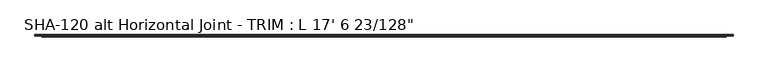
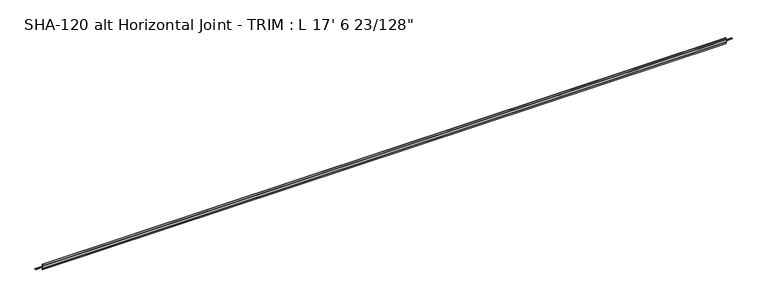
"""IFC4 building model written with IfcOpenShell, lengths in millimetres: proxy geometry."""

import ifcopenshell
import ifcopenshell.guid

model = None  # the IFC model being written
_history = None  # IfcOwnerHistory: only IFC2X3 demands one
_inside = {}  # id of a spatial element -> (the spatial element, [elements in it])
_under = {}  # id of a project, library or spatial element -> (it, [spatial elements below it])
_declared = {}  # id of a project -> (the project, [libraries it declares])
_typed = {}  # id of a type object -> (the type object, [elements of that type])
_made_of = {}  # id of a material, layer set ... -> (it, [elements and type objects made of it])


def new_model(schema):
    """Start an empty IFC model of exactly this schema.

    Asked for "IFC4X3", IfcOpenShell would pick the latest addendum, in which some entities
    have other attributes; the version numbers below select the first issue.
    IFC2X3 requires an IfcOwnerHistory on every rooted entity: one is made here for all.
    """
    global model, _history
    if schema == "IFC4X3":
        model = ifcopenshell.file(schema_version=(4, 3, 0, 0))
    else:
        model = ifcopenshell.file(schema=schema)
    _inside.clear()
    _under.clear()
    _declared.clear()
    _typed.clear()
    _made_of.clear()
    _history = None
    if model.schema == "IFC2X3":
        org = make("IfcOrganization", Name="unknown")
        user = make(
            "IfcPersonAndOrganization",
            ThePerson=make("IfcPerson", FamilyName="unknown"),
            TheOrganization=org,
        )
        app = make(
            "IfcApplication",
            ApplicationDeveloper=org,
            Version="unknown",
            ApplicationFullName="unknown",
            ApplicationIdentifier="unknown",
        )
        _history = make(
            "IfcOwnerHistory",
            OwningUser=user,
            OwningApplication=app,
            ChangeAction="ADDED",
            CreationDate=0,
        )
    return model


def make(cls, **values):
    """One entity of the class cls with the attributes given. An attribute that is None is left unset."""
    return model.create_entity(
        cls, **{name: value for name, value in values.items() if value is not None}
    )


def rooted(cls, **values):
    """An entity with a GlobalId (a new one), such as an element, a storey or a relation."""
    return make(cls, GlobalId=ifcopenshell.guid.new(), OwnerHistory=_history, **values)


def si_unit(unit_type, name, prefix=None):
    """IfcSIUnit, for example si_unit("LENGTHUNIT", "METRE", prefix="MILLI")."""
    return make("IfcSIUnit", UnitType=unit_type, Prefix=prefix, Name=name)


def assignment(units):
    """IfcUnitAssignment: the units of a project."""
    return None if units is None else make("IfcUnitAssignment", Units=units)


def point(xyz):
    """IfcCartesianPoint."""
    return None if xyz is None else make("IfcCartesianPoint", Coordinates=xyz)


def direction(xyz):
    """IfcDirection."""
    return None if xyz is None else make("IfcDirection", DirectionRatios=xyz)


def frame(location, z_axis=None, x_axis=None):
    """IfcAxis2Placement3D, a coordinate frame: its origin and axes. An axis left out is left unset."""
    return make(
        "IfcAxis2Placement3D",
        Location=point(location),
        Axis=direction(z_axis),
        RefDirection=direction(x_axis),
    )


def origin():
    """The frame at (0, 0, 0) with its axes left unset."""
    return frame((0.0, 0.0, 0.0))


def place(relative_to, where):
    """IfcLocalPlacement: puts the frame where relative to a parent placement (None: the world)."""
    return make(
        "IfcLocalPlacement", PlacementRelTo=relative_to, RelativePlacement=where
    )


def context(
    kind, dimensions, precision=None, world=None, true_north=None, identifier=None
):
    """IfcGeometricRepresentationContext, for example the 3D "Model" context."""
    return make(
        "IfcGeometricRepresentationContext",
        ContextIdentifier=identifier,
        ContextType=kind,
        CoordinateSpaceDimension=dimensions,
        Precision=precision,
        WorldCoordinateSystem=world,
        TrueNorth=true_north,
    )


def project(units=None, contexts=None):
    """IfcProject with its units and contexts."""
    return rooted(
        "IfcProject",
        Name="project",
        RepresentationContexts=contexts,
        UnitsInContext=assignment(units),
    )


def spatial(cls, under=None, at=None, **own):
    """A site, building, storey or space (cls), placed at a placement, below another one or the project."""
    s = rooted(cls, ObjectPlacement=at, **own)
    if under is not None:
        _under.setdefault(under.id(), (under, []))[1].append(s)
    return s


def polyline(points):
    """IfcPolyline through the points."""
    return make("IfcPolyline", Points=[point(p) for p in points])


def circle_curve(where, radius):
    """IfcCircle in the frame where."""
    return make("IfcCircle", Position=where, Radius=radius)


def shape(context_of_items, identifier, shape_type, items):
    """IfcShapeRepresentation: the items that make up one representation, for example the "Body"."""
    return make(
        "IfcShapeRepresentation",
        ContextOfItems=context_of_items,
        RepresentationIdentifier=identifier,
        RepresentationType=shape_type,
        Items=items,
    )


def source(mapping_origin, context_of_items, identifier, shape_type, items):
    """IfcRepresentationMap: a shape defined once, which mapped items show again and again."""
    return make(
        "IfcRepresentationMap",
        MappingOrigin=mapping_origin,
        MappedRepresentation=shape(context_of_items, identifier, shape_type, items),
    )


def transform(
    local_origin,
    x_axis=None,
    y_axis=None,
    z_axis=None,
    scale=None,
    scale2=None,
    scale3=None,
    uniform=True,
):
    """IfcCartesianTransformationOperator3D, or its non-uniform kind. x_axis, y_axis, z_axis: its Axis1, 2, 3."""
    if uniform:
        return make(
            "IfcCartesianTransformationOperator3D",
            Axis1=direction(x_axis),
            Axis2=direction(y_axis),
            LocalOrigin=point(local_origin),
            Scale=scale,
            Axis3=direction(z_axis),
        )
    return make(
        "IfcCartesianTransformationOperator3DnonUniform",
        Axis1=direction(x_axis),
        Axis2=direction(y_axis),
        LocalOrigin=point(local_origin),
        Scale=scale,
        Axis3=direction(z_axis),
        Scale2=scale2,
        Scale3=scale3,
    )


def mapped(mapping_source, mapping_target):
    """IfcMappedItem: shows the shape of a source again, moved by a transform."""
    return make(
        "IfcMappedItem", MappingSource=mapping_source, MappingTarget=mapping_target
    )


def made_of(thing, what):
    """Note that an element or type object is made of a material, layer set ...; save() writes the relation."""
    if what is not None:
        _made_of.setdefault(what.id(), (what, []))[1].append(thing)
    return thing


def element(
    cls,
    number,
    at=None,
    inside=None,
    cuts=None,
    type_object=None,
    material=None,
    context=None,
    identifier="Body",
    shape_type=None,
    held_by="IfcProductDefinitionShape",
    body=None,
    shapes=None,
    **own,
):
    """One element of the class cls, such as IfcWall. Its Tag is "e" and its number.

    at: its placement. inside: the storey or other place that contains it. cuts: it is an
    opening in that element (IfcRelVoidsElement). A single representation is given by context,
    identifier, shape_type and body (its items); several are given by shapes. held_by: the class
    of the entity that holds the representations. save() writes the other relations.
    """
    e = rooted(cls, Tag="e%d" % number, ObjectPlacement=at, **own)
    if body is not None:
        shapes = [shape(context, identifier, shape_type, body)]
    if shapes is not None:
        e.Representation = make(held_by, Representations=shapes)
    if inside is not None:
        _inside.setdefault(inside.id(), (inside, []))[1].append(e)
    if cuts is not None:
        rooted(
            "IfcRelVoidsElement", RelatingBuildingElement=cuts, RelatedOpeningElement=e
        )
    if type_object is not None:
        _typed.setdefault(type_object.id(), (type_object, []))[1].append(e)
    return made_of(e, material)


def aggregate(whole, parts):
    """IfcRelAggregates: a whole, such as a stair, and the parts it consists of."""
    return rooted("IfcRelAggregates", RelatingObject=whole, RelatedObjects=parts)


def save(model, path):
    """Write the relations noted so far, then the file.

    IfcRelAggregates (storeys below a building ...), IfcRelContainedInSpatialStructure (elements
    in a storey), IfcRelDefinesByType, IfcRelAssociatesMaterial and IfcRelDeclares: one each for
    every whole, place, type object, material and project.
    """
    for whole, parts in _under.values():
        aggregate(whole, parts)
    for where, things in _inside.values():
        rooted(
            "IfcRelContainedInSpatialStructure",
            RelatedElements=things,
            RelatingStructure=where,
        )
    for kind, things in _typed.values():
        rooted("IfcRelDefinesByType", RelatedObjects=things, RelatingType=kind)
    for what, things in _made_of.values():
        rooted("IfcRelAssociatesMaterial", RelatedObjects=things, RelatingMaterial=what)
    for by, libraries in _declared.values():
        rooted("IfcRelDeclares", RelatingContext=by, RelatedDefinitions=libraries)
    model.write(path)


def plane_surface(at):
    """IfcPlane: the flat surface through the origin of the frame at, square to its z axis."""
    return make("IfcPlane", Position=at)


def cylinder_surface(at, radius):
    """IfcCylindricalSurface: all points at the distance radius from the z axis of the frame at."""
    return make("IfcCylindricalSurface", Position=at, Radius=radius)


def revolved_surface(curve, axis_point, axis_direction):
    """IfcSurfaceOfRevolution: the curve turned about the line through axis_point along axis_direction."""
    return make(
        "IfcSurfaceOfRevolution",
        SweptCurve=make("IfcArbitraryOpenProfileDef", ProfileType="CURVE", Curve=curve),
        AxisPosition=make("IfcAxis1Placement", Location=point(axis_point), Axis=direction(axis_direction)),
    )


def advanced_brep(points, edges, surfaces, faces):
    """IfcAdvancedBrep: a solid bounded by faces that lie on surfaces and meet in shared edges.

    An edge is (start, end): straight between two places in points (the first is 0);
    or (start, end, curve); or (start, end, curve, False) where it runs against its curve.
    A face is (place in surfaces, loops), or (place, loops, False) where it looks against
    its surface's normal. A loop lists edges by number (the first is 1), with a minus sign
    where the edge is run from its end to its start. The first loop is the outer one.
    """
    corners = [point(p) for p in points]
    vertices = [make("IfcVertexPoint", VertexGeometry=c) for c in corners]
    made = []
    for start, end, *more in edges:
        made.append(
            make(
                "IfcEdgeCurve",
                EdgeStart=vertices[start],
                EdgeEnd=vertices[end],
                EdgeGeometry=more[0] if more else make("IfcPolyline", Points=[corners[start], corners[end]]),
                SameSense=more[1] if len(more) > 1 else True,
            )
        )
    hull = []
    for where, loops, *sense in faces:
        bounds = []
        for j, loop in enumerate(loops):
            ring = [make("IfcOrientedEdge", EdgeElement=made[abs(k) - 1], Orientation=k > 0) for k in loop]
            bounds.append(
                make(
                    "IfcFaceOuterBound" if j == 0 else "IfcFaceBound",
                    Bound=make("IfcEdgeLoop", EdgeList=ring),
                    Orientation=True,
                )
            )
        hull.append(make("IfcAdvancedFace", Bounds=bounds, FaceSurface=surfaces[where], SameSense=sense[0] if sense else True))
    return make("IfcAdvancedBrep", Outer=make("IfcClosedShell", CfsFaces=hull))


def proxy_8f9d52c6(model_context):
    return source(origin(), model_context, "Body", "AdvancedBrep", [
        advanced_brep(
        [(5338.5640625, -7.5517375, -14.5150656), (5338.5640625, -10.5664, -14.5150656), (5338.5640625, -10.5664, -16.089866), (5338.5640625, -7.5517375, -16.089866), (5338.5640625, -4.4021375, -16.089866), (5338.5640625, -1.0414, -16.089866), (5338.5640625, -1.0414, -14.5150656), (5338.5640625, -4.4021375, -14.5150656), (0.0, -10.5664, -16.089866), (0.0, -10.5664, -14.5150656), (0.0, -7.5517375, -14.5150656), (0.0, -4.4021375, -14.5150656), (0.0, -1.0414, -14.5150656), (0.0, -1.0414, -16.089866), (0.0, -4.4021375, -16.089866), (0.0, -7.5517375, -16.089866), (5287.7640625, -20.0914, -16.0898656), (5287.7640625, -20.0914, -1.1800656), (50.8, -20.0914, -1.1800656), (50.8, -20.0914, -16.0898656), (5287.7640625, -14.6491336, -1.1800656), (50.8, -14.6491336, -1.1800656), (5287.7640625, -12.8287912, 9.4507342), (50.8, -12.8287912, 9.4507342), (5287.7640625, -11.7590956, 9.8552146), (5287.7640625, -10.5664, 9.3299375), (50.8, -10.5664, 9.3299375), (50.8, -11.7590956, 9.8552146), (5287.7640625, -10.5664, -2.7548656), (50.8, -10.5664, -2.7548656), (5287.7640625, -17.2466, -2.7548656), (50.8, -17.2466, -2.7548656), (5287.7640625, -18.5166, -4.0248656), (50.8, -18.5166, -4.0248656), (5287.7640625, -18.5166, -14.5150656), (50.8, -18.5166, -14.5150656), (50.8, -10.5664, -14.5150656), (5287.7640625, -10.5664, -14.5150656), (5287.7640625, -10.5664, -16.089866), (50.8, -10.541, -16.089866), (5287.7640625, -10.541, -35.2950182), (50.8, -10.541, -35.2950182), (5287.7640625, -12.7454178, -35.4646609), (50.8, -12.7454178, -35.4646609), (5287.7640625, -14.673343, -24.2055776), (50.8, -14.673343, -24.2055776), (5287.7640625, -14.673343, -16.0898656), (50.8, -14.673343, -16.0898656)],
        [
            (0, 1),
            (1, 2),
            (2, 3),
            (3, 4, circle_curve(frame((5338.5640625, -5.9769375, -16.089866), z_axis=(1.0, 0.0, 0.0), x_axis=(0.0, -1.0, 0.0)), 1.5748)),
            (4, 5),
            (5, 6),
            (6, 7),
            (7, 0, circle_curve(frame((5338.5640625, -5.9769375, -14.5150656), z_axis=(1.0, 0.0, 0.0), x_axis=(0.0, -1.0, 0.0)), 1.5748)),
            (8, 9),
            (9, 10),
            (10, 11, circle_curve(frame((0.0, -5.9769375, -14.5150656), z_axis=(-1.0, 0.0, 0.0), x_axis=(0.0, -1.0, 0.0)), 1.5748)),
            (11, 12),
            (12, 13),
            (13, 14),
            (14, 15, circle_curve(frame((0.0, -5.9769375, -16.089866), z_axis=(-1.0, 0.0, 0.0), x_axis=(0.0, -1.0, 0.0)), 1.5748)),
            (15, 8),
            (16, 17),
            (17, 18),
            (18, 19),
            (19, 16),
            (17, 20),
            (20, 21),
            (21, 18),
            (20, 22),
            (22, 23),
            (23, 21),
            (22, 24, circle_curve(frame((5287.7640625, -11.7590956, 8.2385071), z_axis=(-1.0, 0.0, 0.0), x_axis=(0.0, -1.0, 0.0)), 1.6167075)),
            (24, 25, circle_curve(frame((5287.7640625, -11.7590956, 8.2385071), z_axis=(-1.0, 0.0, 0.0), x_axis=(0.0, -1.0, 0.0)), 1.6167075)),
            (25, 26),
            (26, 27, circle_curve(frame((50.8, -11.7590956, 8.2385071), z_axis=(1.0, 0.0, 0.0), x_axis=(0.0, -1.0, 0.0)), 1.6167075)),
            (27, 23, circle_curve(frame((50.8, -11.7590956, 8.2385071), z_axis=(1.0, 0.0, 0.0), x_axis=(0.0, -1.0, 0.0)), 1.6167075)),
            (25, 28),
            (28, 29),
            (29, 26),
            (28, 30),
            (30, 31),
            (31, 29),
            (30, 32, circle_curve(frame((5287.7640625, -17.2466, -4.0248656), z_axis=(1.0, 0.0, 0.0), x_axis=(0.0, -1.0, 0.0)), 1.27)),
            (32, 33),
            (33, 31, circle_curve(frame((50.8, -17.2466, -4.0248656), z_axis=(-1.0, 0.0, 0.0), x_axis=(0.0, -1.0, 0.0)), 1.27)),
            (32, 34),
            (34, 35),
            (35, 33),
            (9, 36),
            (36, 35),
            (34, 37),
            (37, 1),
            (0, 10),
            (7, 11),
            (6, 12),
            (5, 13),
            (4, 14),
            (3, 15),
            (2, 38),
            (38, 39),
            (39, 8),
            (38, 40),
            (40, 41),
            (41, 39),
            (40, 42, circle_curve(frame((5287.7640625, -11.7336765, -34.2042605), z_axis=(-1.0, 0.0, 0.0), x_axis=(0.0, -1.0, 0.0)), 1.6162393)),
            (42, 43),
            (43, 41, circle_curve(frame((50.8, -11.7336765, -34.2042605), z_axis=(1.0, 0.0, 0.0), x_axis=(0.0, -1.0, 0.0)), 1.6162393)),
            (42, 44),
            (44, 45),
            (45, 43),
            (44, 46),
            (46, 47),
            (47, 45),
            (19, 47),
            (46, 16),
            (39, 36),
            (37, 38),
        ],
        [
            plane_surface(frame((5338.5640625, -20.0914, -1.1800656), z_axis=(1.0, 0.0, 0.0), x_axis=(0.0, 0.0, 1.0))),
            plane_surface(frame((0.0, -20.0914, -1.1800656), z_axis=(-1.0, 0.0, 0.0), x_axis=(0.0, 0.0, -1.0))),
            plane_surface(frame((5338.5640625, -20.0914, -16.0898656), z_axis=(0.0, -1.0, 0.0), x_axis=(-1.0, 0.0, 0.0))),
            plane_surface(frame((5338.5640625, -20.0914, -1.1800656), z_axis=(0.0, 0.0, 1.0), x_axis=(-1.0, 0.0, 0.0))),
            plane_surface(frame((5338.5640625, -14.6491336, -1.1800656), z_axis=(0.0, -0.9856543593881559, 0.168776431468153), x_axis=(-1.0, 0.0, 0.0))),
            cylinder_surface(frame((0.0, -11.7590956, 8.2385071), z_axis=(1.0, 0.0, 0.0), x_axis=(0.0, -1.0, 0.0)), 1.6167075),
            plane_surface(frame((5338.5640625, -10.5664, 9.3299375), z_axis=(0.0, 1.0, 0.0), x_axis=(-1.0, 0.0, 0.0))),
            plane_surface(frame((5338.5640625, -10.5664, -2.7548656), z_axis=(0.0, 1.0367578152167759e-11, -1.0), x_axis=(-1.0, 0.0, 0.0))),
            revolved_surface(polyline([(50.8, -18.5166, -4.0248656), (5287.7640625, -18.5166, -4.0248656)]), (0.0, -17.2466, -4.0248656), (-1.0, 0.0, 0.0)),
            plane_surface(frame((5338.5640625, -18.5166, -4.0248656), z_axis=(0.0, 1.0, 0.0), x_axis=(-1.0, 0.0, 0.0))),
            plane_surface(frame((5338.5640625, -18.5166, -14.5150656), z_axis=(0.0, 0.0, 1.0), x_axis=(-1.0, 0.0, 0.0))),
            cylinder_surface(frame((0.0, -5.9769375, -14.5150656), z_axis=(1.0, 0.0, 0.0), x_axis=(0.0, -1.0, 0.0)), 1.5748),
            plane_surface(frame((5338.5640625, -4.4021375, -14.5150656), z_axis=(0.0, 0.0, 1.0), x_axis=(-1.0, 0.0, 0.0))),
            plane_surface(frame((5338.5640625, -1.0414, -14.5150656), z_axis=(0.0, 1.0, 0.0), x_axis=(-1.0, 0.0, 0.0))),
            plane_surface(frame((5338.5640625, -1.0414, -16.089866), z_axis=(0.0, 0.0, -1.0), x_axis=(-1.0, 0.0, 0.0))),
            cylinder_surface(frame((0.0, -5.9769375, -16.089866), z_axis=(1.0, 0.0, 0.0), x_axis=(0.0, -1.0, 0.0)), 1.5748),
            plane_surface(frame((5338.5640625, -7.5517375, -16.089866), z_axis=(0.0, 0.0, -1.0), x_axis=(-1.0, 0.0, 0.0))),
            plane_surface(frame((5338.5640625, -10.541, -16.089866), z_axis=(0.0, 1.0, 0.0), x_axis=(-1.0, 0.0, 0.0))),
            cylinder_surface(frame((0.0, -11.7336765, -34.2042605), z_axis=(1.0, 0.0, 0.0), x_axis=(0.0, -1.0, 0.0)), 1.6162393),
            plane_surface(frame((5338.5640625, -12.7454178, -35.4646609), z_axis=(0.0, -0.9856543594196762, -0.1687764312840745), x_axis=(-1.0, 0.0, 0.0))),
            plane_surface(frame((5338.5640625, -14.673343, -24.2055776), z_axis=(0.0, -1.0, 0.0), x_axis=(-1.0, 0.0, 0.0))),
            plane_surface(frame((5338.5640625, -14.673343, -16.0898656), z_axis=(0.0, 0.0, -1.0), x_axis=(-1.0, 0.0, 0.0))),
            plane_surface(frame((5287.7640625, -10.5664, 9.8552146), z_axis=(0.0, -1.0, 0.0), x_axis=(0.0, 0.0, -1.0))),
            plane_surface(frame((5287.7640625, -10.5664, 9.8552146), z_axis=(1.0, 0.0, 0.0), x_axis=(0.0, -1.0, 0.0))),
            plane_surface(frame((50.8, -10.5664, -35.8463721), z_axis=(-1.0, 0.0, 0.0), x_axis=(0.0, -1.0, 0.0))),
        ],
        [
            (0, [[1, 2, 3, 4, 5, 6, 7, 8]]),
            (1, [[9, 10, 11, 12, 13, 14, 15, 16]]),
            (2, [[17, 18, 19, 20]]),
            (3, [[21, 22, 23, -18]]),
            (4, [[24, 25, 26, -22]]),
            (5, [[27, 28, 29, 30, 31, -25]]),
            (6, [[32, 33, 34, -29]]),
            (7, [[35, 36, 37, -33]]),
            (8, [[38, 39, 40, -36]]),
            (9, [[41, 42, 43, -39]]),
            (10, [[-10, 44, 45, -42, 46, 47, -1, 48]]),
            (11, [[49, -11, -48, -8]]),
            (12, [[50, -12, -49, -7]]),
            (13, [[51, -13, -50, -6]]),
            (14, [[52, -14, -51, -5]]),
            (15, [[53, -15, -52, -4]]),
            (16, [[54, 55, 56, -16, -53, -3]]),
            (17, [[57, 58, 59, -55]]),
            (18, [[60, 61, 62, -58]]),
            (19, [[63, 64, 65, -61]]),
            (20, [[66, 67, 68, -64]]),
            (21, [[69, -67, 70, -20]]),
            (22, [[-44, -9, -56, 71]]),
            (22, [[-54, -2, -47, 72]]),
            (23, [[-46, -41, -38, -35, -32, -28, -27, -24, -21, -17, -70, -66, -63, -60, -57, -72]]),
            (24, [[-59, -62, -65, -68, -69, -19, -23, -26, -31, -30, -34, -37, -40, -43, -45, -71]]),
        ],
    ),
    ])


if __name__ == "__main__":
    model = new_model("IFC4")
    model_context = context("Model", 3, world=origin())
    ifc_project = project(units=[si_unit("LENGTHUNIT", "METRE", prefix="MILLI")], contexts=[model_context])
    site = spatial("IfcSite", under=ifc_project)
    building = spatial("IfcBuilding", under=site)
    placement = place(None, origin())
    proxy_shape = proxy_8f9d52c6(model_context)
    element("IfcBuildingElementProxy", 1, Name="SHA-120 alt Horizontal Joint - TRIM : L 17' 6 23/128\"", ObjectType="SHA-120 alt Horizontal Joint - TRIM : L 17' 6 23/128\"", at=placement, inside=building, context=model_context, shape_type="MappedRepresentation", body=[
        mapped(proxy_shape, transform((0.0, 0.0, 0.0), x_axis=(1.0, 0.0, 0.0), y_axis=(0.0, 1.0, 0.0), z_axis=(0.0, 0.0, 1.0))),
    ])
    save(model, "model.ifc")
